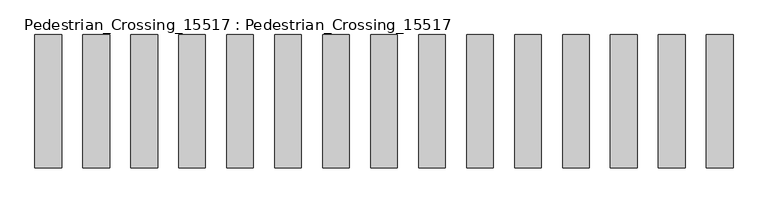
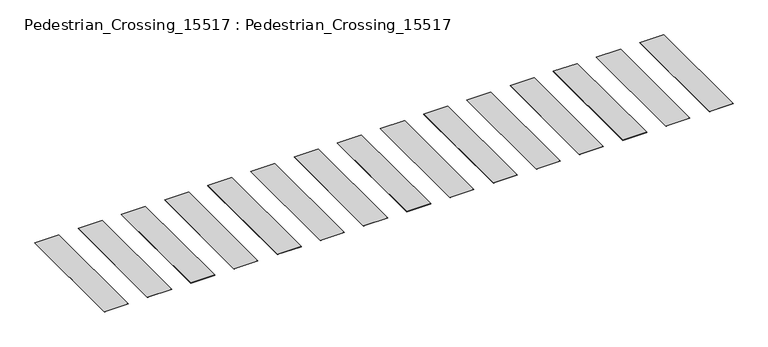
"""IFC4 building model written with IfcOpenShell, lengths in millimetres: proxy geometry, Pedestrian_Crossing_15517 : Pedestrian_Crossing_15517."""

from ifc_helpers import new_model, si_unit, origin, origin_with_axes, place, context, project, spatial, polyline, outline, extrude, source, transform, mapped, element, save


def pedestrian_crossing_15517_pedestrian_crossing_15517_4ebaeb9e(model_context):
    return source(origin(), model_context, "Body", "SweptSolid", [
        extrude(outline(polyline([(14021.4285714, 3000.0), (14621.4285714, 3000.0), (14621.4285714, 0.0), (14021.4285714, 0.0), (14021.4285714, 3000.0)])), origin_with_axes(), (0.0, 0.0, 1.0), 3.175),
        extrude(outline(polyline([(12942.8571429, 3000.0), (13542.8571429, 3000.0), (13542.8571429, 0.0), (12942.8571429, 0.0), (12942.8571429, 3000.0)])), origin_with_axes(), (0.0, 0.0, 1.0), 3.175),
        extrude(outline(polyline([(11864.2857143, 3000.0), (12464.2857143, 3000.0), (12464.2857143, 0.0), (11864.2857143, 0.0), (11864.2857143, 3000.0)])), origin_with_axes(), (0.0, 0.0, 1.0), 3.175),
        extrude(outline(polyline([(10785.7142857, 3000.0), (11385.7142857, 3000.0), (11385.7142857, 0.0), (10785.7142857, 0.0), (10785.7142857, 3000.0)])), origin_with_axes(), (0.0, 0.0, 1.0), 3.175),
        extrude(outline(polyline([(9707.1428571, 3000.0), (10307.1428571, 3000.0), (10307.1428571, 0.0), (9707.1428571, 0.0), (9707.1428571, 3000.0)])), origin_with_axes(), (0.0, 0.0, 1.0), 3.175),
        extrude(outline(polyline([(8628.5714286, 3000.0), (9228.5714286, 3000.0), (9228.5714286, 0.0), (8628.5714286, 0.0), (8628.5714286, 3000.0)])), origin_with_axes(), (0.0, 0.0, 1.0), 3.175),
        extrude(outline(polyline([(7550.0, 3000.0), (8150.0, 3000.0), (8150.0, 0.0), (7550.0, 0.0), (7550.0, 3000.0)])), origin_with_axes(), (0.0, 0.0, 1.0), 3.175),
        extrude(outline(polyline([(6471.4285714, 3000.0), (7071.4285714, 3000.0), (7071.4285714, 0.0), (6471.4285714, 0.0), (6471.4285714, 3000.0)])), origin_with_axes(), (0.0, 0.0, 1.0), 3.175),
        extrude(outline(polyline([(5392.8571429, 3000.0), (5992.8571429, 3000.0), (5992.8571429, 0.0), (5392.8571429, 0.0), (5392.8571429, 3000.0)])), origin_with_axes(), (0.0, 0.0, 1.0), 3.175),
        extrude(outline(polyline([(4314.2857143, 3000.0), (4914.2857143, 3000.0), (4914.2857143, 0.0), (4314.2857143, 0.0), (4314.2857143, 3000.0)])), origin_with_axes(), (0.0, 0.0, 1.0), 3.175),
        extrude(outline(polyline([(3235.7142857, 3000.0), (3835.7142857, 3000.0), (3835.7142857, 0.0), (3235.7142857, 0.0), (3235.7142857, 3000.0)])), origin_with_axes(), (0.0, 0.0, 1.0), 3.175),
        extrude(outline(polyline([(2157.1428571, 3000.0), (2757.1428571, 3000.0), (2757.1428571, 0.0), (2157.1428571, 0.0), (2157.1428571, 3000.0)])), origin_with_axes(), (0.0, 0.0, 1.0), 3.175),
        extrude(outline(polyline([(1078.5714286, 3000.0), (1678.5714286, 3000.0), (1678.5714286, 0.0), (1078.5714286, 0.0), (1078.5714286, 3000.0)])), origin_with_axes(), (0.0, 0.0, 1.0), 3.175),
        extrude(outline(polyline([(15100.0, 3000.0), (15700.0, 3000.0), (15700.0, 0.0), (15100.0, 0.0), (15100.0, 3000.0)])), origin_with_axes(), (0.0, 0.0, 1.0), 3.175),
        extrude(outline(polyline([(0.0, 3000.0), (600.0, 3000.0), (600.0, 0.0), (0.0, 0.0), (0.0, 3000.0)])), origin_with_axes(), (0.0, 0.0, 1.0), 3.175),
    ])


if __name__ == "__main__":
    model = new_model("IFC4")
    model_context = context("Model", 3, world=origin())
    ifc_project = project(units=[si_unit("LENGTHUNIT", "METRE", prefix="MILLI")], contexts=[model_context])
    site = spatial("IfcSite", under=ifc_project)
    building = spatial("IfcBuilding", under=site)
    placement = place(None, origin())
    pedestrian_crossing_15517_pedestrian_crossing_15517_shape = pedestrian_crossing_15517_pedestrian_crossing_15517_4ebaeb9e(model_context)
    element("IfcBuildingElementProxy", 1, Name="Pedestrian_Crossing_15517 : Pedestrian_Crossing_15517", ObjectType="Pedestrian_Crossing_15517 : Pedestrian_Crossing_15517", at=placement, inside=building, context=model_context, shape_type="MappedRepresentation", body=[
        mapped(pedestrian_crossing_15517_pedestrian_crossing_15517_shape, transform((0.0, 0.0, 0.0), x_axis=(1.0, 0.0, 0.0), y_axis=(0.0, 1.0, 0.0), z_axis=(0.0, 0.0, 1.0))),
    ])
    save(model, "model.ifc")
